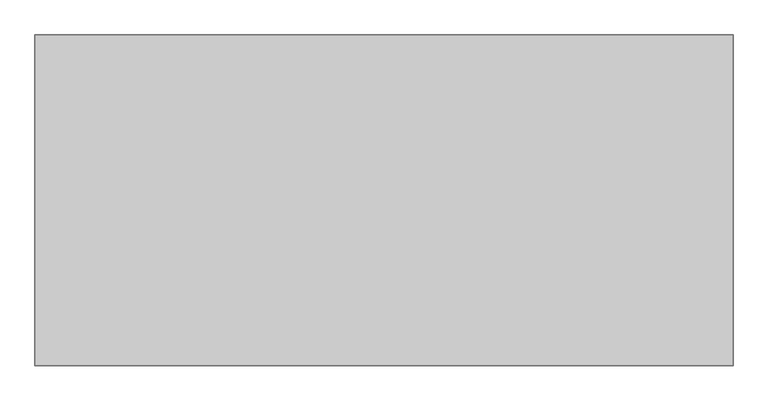
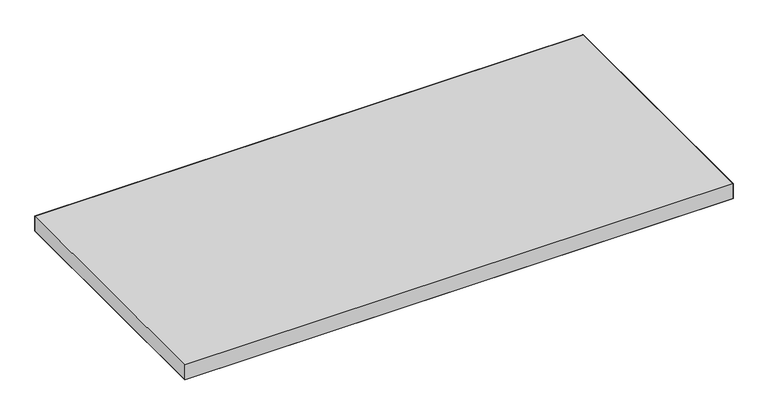
"""IFC4 building model written with IfcOpenShell, lengths in millimetres: furniture geometry."""

from ifc_helpers import new_model, si_unit, origin, place, context, project, spatial, triangles, source, transform, mapped, element, save


def furniture_bc5df1ce(model_context):
    return source(origin(), model_context, "Body", "Tessellation", [
        triangles([(1065.8475145, -1.524, 720.5980213), (1065.8475145, -1.5239978, 690.4989864), (0.9525005, -1.5240005, 690.4989864), (0.9525005, -1.524, 720.5980213), (1065.8475145, -506.3484899, 720.5980213), (1065.8475145, -506.3484899, 690.4989864), (0.9525008, -506.3484899, 690.4989864), (0.9525008, -506.3484899, 720.5980213)], [[1, 2, 3], [1, 3, 4], [5, 6, 2], [5, 2, 1], [4, 3, 7], [4, 7, 8], [8, 7, 6], [8, 6, 5]], closed=False),
        triangles([(1065.8475145, -1.5239978, 690.4989864), (1065.8475145, -506.3484899, 690.4989864), (0.9525008, -506.3484899, 690.4989864), (0.9525005, -1.5240005, 690.4989864), (0.9525005, -1.524, 720.5980213), (0.9525008, -506.3484899, 720.5980213), (1065.8475145, -506.3484899, 720.5980213), (1065.8475145, -1.524, 720.5980213)], [[1, 2, 3], [1, 3, 4], [5, 6, 7], [5, 7, 8]], closed=False),
    ])


if __name__ == "__main__":
    model = new_model("IFC4")
    model_context = context("Model", 3, world=origin())
    ifc_project = project(units=[si_unit("LENGTHUNIT", "METRE", prefix="MILLI")], contexts=[model_context])
    site = spatial("IfcSite", under=ifc_project)
    building = spatial("IfcBuilding", under=site)
    placement = place(None, origin())
    furniture_shape = furniture_bc5df1ce(model_context)
    element("IfcFurniture", 1, at=placement, inside=building, context=model_context, shape_type="MappedRepresentation", body=[
        mapped(furniture_shape, transform((0.0, 0.0, 0.0), x_axis=(1.0, 0.0, 0.0), y_axis=(0.0, 1.0, 0.0), z_axis=(0.0, 0.0, 1.0))),
    ])
    save(model, "model.ifc")
